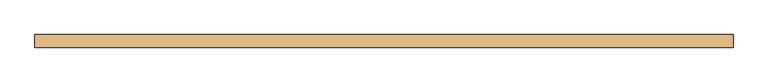
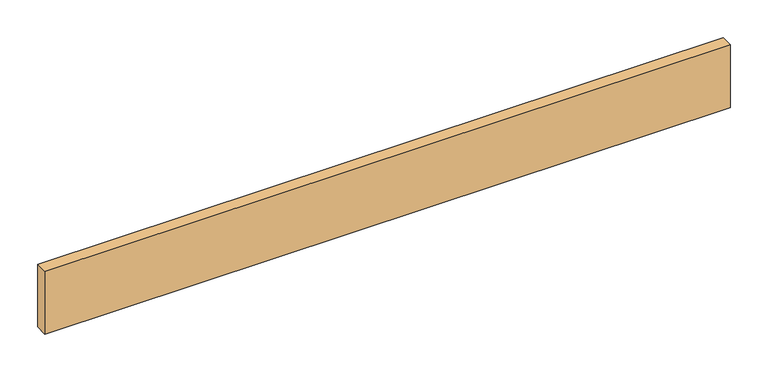
"""IFC4 building model written with IfcOpenShell, lengths in millimetres: door geometry."""

from ifc_helpers import new_model, si_unit, origin, origin_with_axes, place, context, project, spatial, polyline, outline, extrude, source, transform, mapped, element, save


def door_262c2511(model_context):
    return source(origin(), model_context, "Body", "SweptSolid", [
        extrude(outline(polyline([(524.9672, 0.0), (524.9672, -19.05), (-524.9672, -19.05), (-524.9672, 0.0), (524.9672, 0.0)])), origin_with_axes(), (0.0, 0.0, 1.0), 101.6),
    ])


if __name__ == "__main__":
    model = new_model("IFC4")
    model_context = context("Model", 3, world=origin())
    ifc_project = project(units=[si_unit("LENGTHUNIT", "METRE", prefix="MILLI")], contexts=[model_context])
    site = spatial("IfcSite", under=ifc_project)
    building = spatial("IfcBuilding", under=site)
    placement = place(None, origin())
    door_shape = door_262c2511(model_context)
    element("IfcDoor", 1, at=placement, inside=building, context=model_context, shape_type="MappedRepresentation", body=[
        mapped(door_shape, transform((0.0, 0.0, 0.0), x_axis=(1.0, 0.0, 0.0), y_axis=(0.0, 1.0, 0.0), z_axis=(0.0, 0.0, 1.0))),
    ])
    save(model, "model.ifc")
